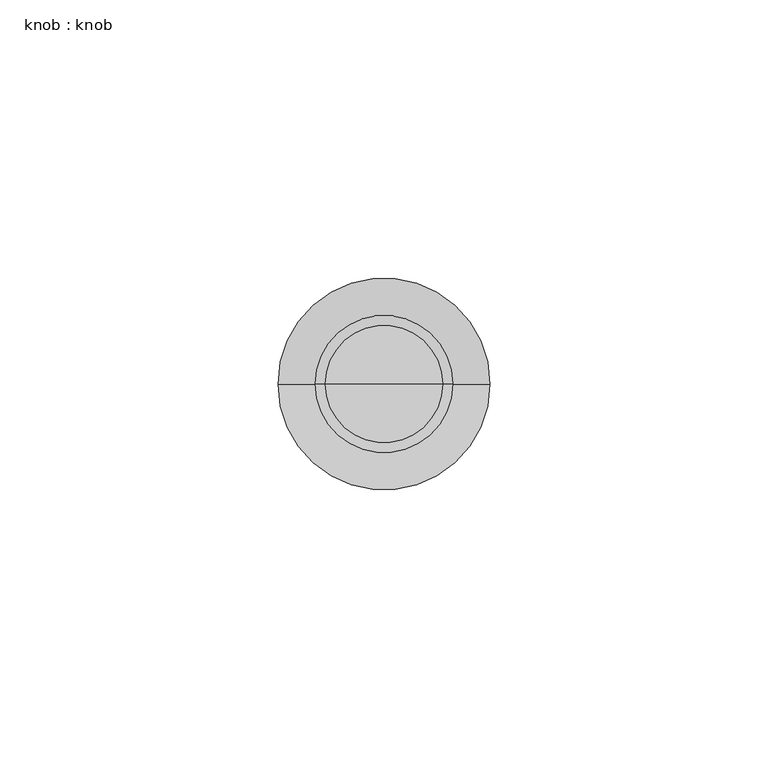
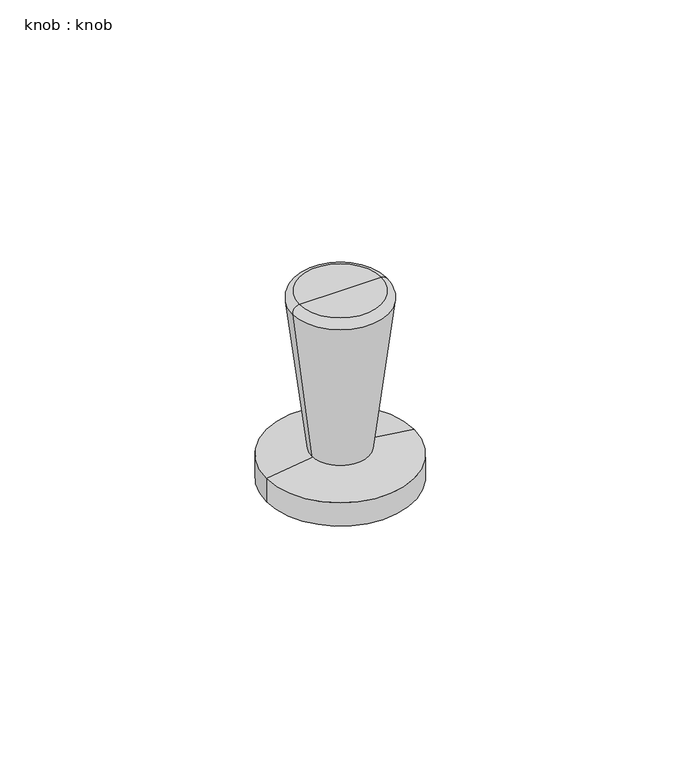
"""IFC4 building model written with IfcOpenShell, lengths in millimetres: proxy geometry, knob : knob."""

import ifcopenshell
import ifcopenshell.guid

model = None  # the IFC model being written
_history = None  # IfcOwnerHistory: only IFC2X3 demands one
_inside = {}  # id of a spatial element -> (the spatial element, [elements in it])
_under = {}  # id of a project, library or spatial element -> (it, [spatial elements below it])
_declared = {}  # id of a project -> (the project, [libraries it declares])
_typed = {}  # id of a type object -> (the type object, [elements of that type])
_made_of = {}  # id of a material, layer set ... -> (it, [elements and type objects made of it])


def new_model(schema):
    """Start an empty IFC model of exactly this schema.

    Asked for "IFC4X3", IfcOpenShell would pick the latest addendum, in which some entities
    have other attributes; the version numbers below select the first issue.
    IFC2X3 requires an IfcOwnerHistory on every rooted entity: one is made here for all.
    """
    global model, _history
    if schema == "IFC4X3":
        model = ifcopenshell.file(schema_version=(4, 3, 0, 0))
    else:
        model = ifcopenshell.file(schema=schema)
    _inside.clear()
    _under.clear()
    _declared.clear()
    _typed.clear()
    _made_of.clear()
    _history = None
    if model.schema == "IFC2X3":
        org = make("IfcOrganization", Name="unknown")
        user = make(
            "IfcPersonAndOrganization",
            ThePerson=make("IfcPerson", FamilyName="unknown"),
            TheOrganization=org,
        )
        app = make(
            "IfcApplication",
            ApplicationDeveloper=org,
            Version="unknown",
            ApplicationFullName="unknown",
            ApplicationIdentifier="unknown",
        )
        _history = make(
            "IfcOwnerHistory",
            OwningUser=user,
            OwningApplication=app,
            ChangeAction="ADDED",
            CreationDate=0,
        )
    return model


def make(cls, **values):
    """One entity of the class cls with the attributes given. An attribute that is None is left unset."""
    return model.create_entity(
        cls, **{name: value for name, value in values.items() if value is not None}
    )


def rooted(cls, **values):
    """An entity with a GlobalId (a new one), such as an element, a storey or a relation."""
    return make(cls, GlobalId=ifcopenshell.guid.new(), OwnerHistory=_history, **values)


def si_unit(unit_type, name, prefix=None):
    """IfcSIUnit, for example si_unit("LENGTHUNIT", "METRE", prefix="MILLI")."""
    return make("IfcSIUnit", UnitType=unit_type, Prefix=prefix, Name=name)


def assignment(units):
    """IfcUnitAssignment: the units of a project."""
    return None if units is None else make("IfcUnitAssignment", Units=units)


def point(xyz):
    """IfcCartesianPoint."""
    return None if xyz is None else make("IfcCartesianPoint", Coordinates=xyz)


def direction(xyz):
    """IfcDirection."""
    return None if xyz is None else make("IfcDirection", DirectionRatios=xyz)


def frame(location, z_axis=None, x_axis=None):
    """IfcAxis2Placement3D, a coordinate frame: its origin and axes. An axis left out is left unset."""
    return make(
        "IfcAxis2Placement3D",
        Location=point(location),
        Axis=direction(z_axis),
        RefDirection=direction(x_axis),
    )


def origin():
    """The frame at (0, 0, 0) with its axes left unset."""
    return frame((0.0, 0.0, 0.0))


def place(relative_to, where):
    """IfcLocalPlacement: puts the frame where relative to a parent placement (None: the world)."""
    return make(
        "IfcLocalPlacement", PlacementRelTo=relative_to, RelativePlacement=where
    )


def context(
    kind, dimensions, precision=None, world=None, true_north=None, identifier=None
):
    """IfcGeometricRepresentationContext, for example the 3D "Model" context."""
    return make(
        "IfcGeometricRepresentationContext",
        ContextIdentifier=identifier,
        ContextType=kind,
        CoordinateSpaceDimension=dimensions,
        Precision=precision,
        WorldCoordinateSystem=world,
        TrueNorth=true_north,
    )


def project(units=None, contexts=None):
    """IfcProject with its units and contexts."""
    return rooted(
        "IfcProject",
        Name="project",
        RepresentationContexts=contexts,
        UnitsInContext=assignment(units),
    )


def spatial(cls, under=None, at=None, **own):
    """A site, building, storey or space (cls), placed at a placement, below another one or the project."""
    s = rooted(cls, ObjectPlacement=at, **own)
    if under is not None:
        _under.setdefault(under.id(), (under, []))[1].append(s)
    return s


def polyline(points):
    """IfcPolyline through the points."""
    return make("IfcPolyline", Points=[point(p) for p in points])


def circle_curve(where, radius):
    """IfcCircle in the frame where."""
    return make("IfcCircle", Position=where, Radius=radius)


def ellipse_curve(where, semi_axis1, semi_axis2):
    """IfcEllipse in the frame where."""
    return make(
        "IfcEllipse", Position=where, SemiAxis1=semi_axis1, SemiAxis2=semi_axis2
    )


def trimmed(basis, trim1, trim2, sense, master):
    """IfcTrimmedCurve: the piece of a basis curve between two trims."""
    return make(
        "IfcTrimmedCurve",
        BasisCurve=basis,
        Trim1=trim1,
        Trim2=trim2,
        SenseAgreement=sense,
        MasterRepresentation=master,
    )


def shape(context_of_items, identifier, shape_type, items):
    """IfcShapeRepresentation: the items that make up one representation, for example the "Body"."""
    return make(
        "IfcShapeRepresentation",
        ContextOfItems=context_of_items,
        RepresentationIdentifier=identifier,
        RepresentationType=shape_type,
        Items=items,
    )


def source(mapping_origin, context_of_items, identifier, shape_type, items):
    """IfcRepresentationMap: a shape defined once, which mapped items show again and again."""
    return make(
        "IfcRepresentationMap",
        MappingOrigin=mapping_origin,
        MappedRepresentation=shape(context_of_items, identifier, shape_type, items),
    )


def transform(
    local_origin,
    x_axis=None,
    y_axis=None,
    z_axis=None,
    scale=None,
    scale2=None,
    scale3=None,
    uniform=True,
):
    """IfcCartesianTransformationOperator3D, or its non-uniform kind. x_axis, y_axis, z_axis: its Axis1, 2, 3."""
    if uniform:
        return make(
            "IfcCartesianTransformationOperator3D",
            Axis1=direction(x_axis),
            Axis2=direction(y_axis),
            LocalOrigin=point(local_origin),
            Scale=scale,
            Axis3=direction(z_axis),
        )
    return make(
        "IfcCartesianTransformationOperator3DnonUniform",
        Axis1=direction(x_axis),
        Axis2=direction(y_axis),
        LocalOrigin=point(local_origin),
        Scale=scale,
        Axis3=direction(z_axis),
        Scale2=scale2,
        Scale3=scale3,
    )


def mapped(mapping_source, mapping_target):
    """IfcMappedItem: shows the shape of a source again, moved by a transform."""
    return make(
        "IfcMappedItem", MappingSource=mapping_source, MappingTarget=mapping_target
    )


def made_of(thing, what):
    """Note that an element or type object is made of a material, layer set ...; save() writes the relation."""
    if what is not None:
        _made_of.setdefault(what.id(), (what, []))[1].append(thing)
    return thing


def element(
    cls,
    number,
    at=None,
    inside=None,
    cuts=None,
    type_object=None,
    material=None,
    context=None,
    identifier="Body",
    shape_type=None,
    held_by="IfcProductDefinitionShape",
    body=None,
    shapes=None,
    **own,
):
    """One element of the class cls, such as IfcWall. Its Tag is "e" and its number.

    at: its placement. inside: the storey or other place that contains it. cuts: it is an
    opening in that element (IfcRelVoidsElement). A single representation is given by context,
    identifier, shape_type and body (its items); several are given by shapes. held_by: the class
    of the entity that holds the representations. save() writes the other relations.
    """
    e = rooted(cls, Tag="e%d" % number, ObjectPlacement=at, **own)
    if body is not None:
        shapes = [shape(context, identifier, shape_type, body)]
    if shapes is not None:
        e.Representation = make(held_by, Representations=shapes)
    if inside is not None:
        _inside.setdefault(inside.id(), (inside, []))[1].append(e)
    if cuts is not None:
        rooted(
            "IfcRelVoidsElement", RelatingBuildingElement=cuts, RelatedOpeningElement=e
        )
    if type_object is not None:
        _typed.setdefault(type_object.id(), (type_object, []))[1].append(e)
    return made_of(e, material)


def aggregate(whole, parts):
    """IfcRelAggregates: a whole, such as a stair, and the parts it consists of."""
    return rooted("IfcRelAggregates", RelatingObject=whole, RelatedObjects=parts)


def save(model, path):
    """Write the relations noted so far, then the file.

    IfcRelAggregates (storeys below a building ...), IfcRelContainedInSpatialStructure (elements
    in a storey), IfcRelDefinesByType, IfcRelAssociatesMaterial and IfcRelDeclares: one each for
    every whole, place, type object, material and project.
    """
    for whole, parts in _under.values():
        aggregate(whole, parts)
    for where, things in _inside.values():
        rooted(
            "IfcRelContainedInSpatialStructure",
            RelatedElements=things,
            RelatingStructure=where,
        )
    for kind, things in _typed.values():
        rooted("IfcRelDefinesByType", RelatedObjects=things, RelatingType=kind)
    for what, things in _made_of.values():
        rooted("IfcRelAssociatesMaterial", RelatedObjects=things, RelatingMaterial=what)
    for by, libraries in _declared.values():
        rooted("IfcRelDeclares", RelatingContext=by, RelatedDefinitions=libraries)
    model.write(path)


def plane_surface(at):
    """IfcPlane: the flat surface through the origin of the frame at, square to its z axis."""
    return make("IfcPlane", Position=at)


def cylinder_surface(at, radius):
    """IfcCylindricalSurface: all points at the distance radius from the z axis of the frame at."""
    return make("IfcCylindricalSurface", Position=at, Radius=radius)


def revolved_surface(curve, axis_point, axis_direction):
    """IfcSurfaceOfRevolution: the curve turned about the line through axis_point along axis_direction."""
    return make(
        "IfcSurfaceOfRevolution",
        SweptCurve=make("IfcArbitraryOpenProfileDef", ProfileType="CURVE", Curve=curve),
        AxisPosition=make("IfcAxis1Placement", Location=point(axis_point), Axis=direction(axis_direction)),
    )


def advanced_brep(points, edges, surfaces, faces):
    """IfcAdvancedBrep: a solid bounded by faces that lie on surfaces and meet in shared edges.

    An edge is (start, end): straight between two places in points (the first is 0);
    or (start, end, curve); or (start, end, curve, False) where it runs against its curve.
    A face is (place in surfaces, loops), or (place, loops, False) where it looks against
    its surface's normal. A loop lists edges by number (the first is 1), with a minus sign
    where the edge is run from its end to its start. The first loop is the outer one.
    """
    corners = [point(p) for p in points]
    vertices = [make("IfcVertexPoint", VertexGeometry=c) for c in corners]
    made = []
    for start, end, *more in edges:
        made.append(
            make(
                "IfcEdgeCurve",
                EdgeStart=vertices[start],
                EdgeEnd=vertices[end],
                EdgeGeometry=more[0] if more else make("IfcPolyline", Points=[corners[start], corners[end]]),
                SameSense=more[1] if len(more) > 1 else True,
            )
        )
    hull = []
    for where, loops, *sense in faces:
        bounds = []
        for j, loop in enumerate(loops):
            ring = [make("IfcOrientedEdge", EdgeElement=made[abs(k) - 1], Orientation=k > 0) for k in loop]
            bounds.append(
                make(
                    "IfcFaceOuterBound" if j == 0 else "IfcFaceBound",
                    Bound=make("IfcEdgeLoop", EdgeList=ring),
                    Orientation=True,
                )
            )
        hull.append(make("IfcAdvancedFace", Bounds=bounds, FaceSurface=surfaces[where], SameSense=sense[0] if sense else True))
    return make("IfcAdvancedBrep", Outer=make("IfcClosedShell", CfsFaces=hull))


def knob_knob_d1141a12(model_context):
    return source(origin(), model_context, "Body", "AdvancedBrep", [
        advanced_brep(
        [(0.0, 0.0, 0.0), (-19.05, 0.0, 0.0), (19.05, 0.0, 0.0), (19.05, 0.0, 6.35), (-19.05, 0.0, 6.35), (0.0, 0.0, 9.0273029)],
        [
            (0, 1),
            (1, 2, circle_curve(frame((0.0, 0.0, 0.0), z_axis=(0.0, 0.0, -1.0), x_axis=(-1.0, 0.0, 0.0)), 19.05)),
            (2, 0),
            (2, 1, circle_curve(frame((0.0, 0.0, 0.0), z_axis=(0.0, 0.0, -1.0), x_axis=(-1.0, 0.0, 0.0)), 19.05)),
            (3, 4, circle_curve(frame((0.0, 0.0, 6.35), z_axis=(0.0, 0.0, 1.0), x_axis=(-1.0, 0.0, 0.0)), 19.05)),
            (4, 5),
            (5, 3),
            (4, 3, circle_curve(frame((0.0, 0.0, 6.35), z_axis=(0.0, 0.0, 1.0), x_axis=(-1.0, 0.0, 0.0)), 19.05)),
            (1, 4),
            (3, 2),
        ],
        [
            plane_surface(frame((0.0, 0.0, 0.0), z_axis=(0.0, 0.0, -1.0), x_axis=(-1.0, 0.0, 0.0))),
            revolved_surface(polyline([(0.0, 0.0, 9.0273029), (-19.05, 0.0, 6.35)]), (0.0, 0.0, 48.9911406), (0.0, 0.0, -1.0)),
            cylinder_surface(frame((0.0, 0.0, 48.9911406), z_axis=(0.0, 0.0, -1.0), x_axis=(-1.0, 0.0, 0.0)), 19.05),
        ],
        [
            (0, [[1, 2, 3]]),
            (0, [[-3, 4, -1]]),
            (1, [[5, 6, 7]]),
            (1, [[8, -7, -6]]),
            (2, [[-2, 9, -5, 10]]),
            (2, [[-4, -10, -8, -9]]),
        ],
    ),
        advanced_brep(
        [(0.0, 0.0, 0.0), (-6.35, 0.0, 0.0), (6.35, 0.0, 0.0), (10.5445313, 0.0, 50.8), (-10.5445313, 0.0, 50.8), (0.0, 0.0, 50.8), (12.3384858, 0.0, 48.7723032), (-12.3384858, 0.0, 48.7723032)],
        [
            (0, 1),
            (1, 2, circle_curve(frame((0.0, 0.0, 0.0), z_axis=(0.0, 0.0, -1.0), x_axis=(-1.0, 0.0, 0.0)), 6.35)),
            (2, 0),
            (2, 1, circle_curve(frame((0.0, 0.0, 0.0), z_axis=(0.0, 0.0, -1.0), x_axis=(-1.0, 0.0, 0.0)), 6.35)),
            (3, 4, circle_curve(frame((0.0, 0.0, 50.8), z_axis=(0.0, 0.0, 1.0), x_axis=(-1.0, 0.0, 0.0)), 10.5445313)),
            (4, 5),
            (5, 3),
            (4, 3, circle_curve(frame((0.0, 0.0, 50.8), z_axis=(0.0, 0.0, 1.0), x_axis=(-1.0, 0.0, 0.0)), 10.5445313)),
            (6, 7, circle_curve(frame((0.0, 0.0, 48.7723032), z_axis=(0.0, 0.0, 1.0), x_axis=(-1.0, 0.0, 0.0)), 12.3384858)),
            (7, 4, circle_curve(frame((-10.5445313, 0.0, 48.9925731), z_axis=(0.0, 1.0, 0.0), x_axis=(-1.0, 0.0, 0.0)), 1.8074269)),
            (3, 6, circle_curve(frame((10.5445313, 0.0, 48.9925731), z_axis=(0.0, 1.0, 0.0), x_axis=(1.0, 0.0, 0.0)), 1.8074269)),
            (7, 6, circle_curve(frame((0.0, 0.0, 48.7723032), z_axis=(0.0, 0.0, 1.0), x_axis=(-1.0, 0.0, 0.0)), 12.3384858)),
            (1, 7),
            (6, 2),
        ],
        [
            plane_surface(frame((0.0, 0.0, 0.0), z_axis=(0.0, 0.0, -1.0), x_axis=(-1.0, 0.0, 0.0))),
            plane_surface(frame((0.0, 0.0, 50.8), z_axis=(0.0, 0.0, 1.0), x_axis=(-1.0, 0.0, 0.0))),
            revolved_surface(trimmed(ellipse_curve(frame((-10.5445313, 0.0, 48.9925731), z_axis=(0.0, -1.0, 0.0), x_axis=(-1.0, 0.0, 0.0)), 1.8074269, 1.8074269), [point((-10.5445313, 0.0, 50.8))], [point((-12.3384858, 0.0, 48.7723032))], True, "CARTESIAN"), (0.0, 0.0, 0.0), (0.0, 0.0, -1.0)),
            revolved_surface(polyline([(-12.3384858, 0.0, 48.7723032), (-6.35, 0.0, 0.0)]), (0.0, 0.0, 0.0), (0.0, 0.0, -1.0)),
        ],
        [
            (0, [[1, 2, 3]]),
            (0, [[-3, 4, -1]]),
            (1, [[5, 6, 7]]),
            (1, [[8, -7, -6]]),
            (2, [[9, 10, -5, 11]]),
            (2, [[12, -11, -8, -10]]),
            (3, [[-2, 13, -9, 14]]),
            (3, [[-4, -14, -12, -13]]),
        ],
    ),
    ])


if __name__ == "__main__":
    model = new_model("IFC4")
    model_context = context("Model", 3, world=origin())
    ifc_project = project(units=[si_unit("LENGTHUNIT", "METRE", prefix="MILLI")], contexts=[model_context])
    site = spatial("IfcSite", under=ifc_project)
    building = spatial("IfcBuilding", under=site)
    placement = place(None, origin())
    knob_knob_shape = knob_knob_d1141a12(model_context)
    element("IfcBuildingElementProxy", 1, Name="knob : knob", ObjectType="knob : knob", at=placement, inside=building, context=model_context, shape_type="MappedRepresentation", body=[
        mapped(knob_knob_shape, transform((0.0, 0.0, 0.0), x_axis=(1.0, 0.0, 0.0), y_axis=(0.0, 1.0, 0.0), z_axis=(0.0, 0.0, 1.0))),
    ])
    save(model, "model.ifc")
